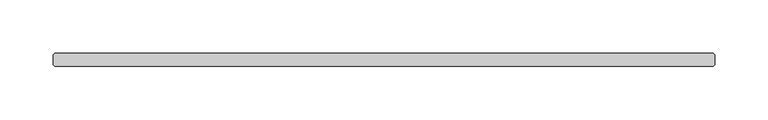
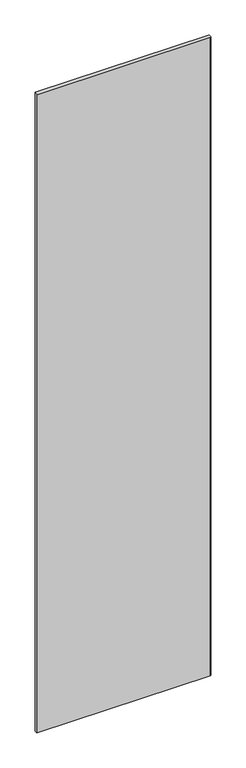
"""IFC4 building model written with IfcOpenShell, lengths in millimetres: plate geometry."""

from ifc_helpers import new_model, si_unit, origin, origin_with_axes, place, context, project, spatial, polyline, outline, extrude, source, transform, mapped, element, save


def plate_2c59f6b2(model_context):
    return source(origin(), model_context, "Body", "SweptSolid", [
        extrude(outline(polyline([(310.584375, -36.5125), (-310.584375, -36.5125), (-312.171875, -34.925), (-312.171875, -25.4), (-310.584375, -23.8125), (310.584375, -23.8125), (312.171875, -25.4), (312.171875, -34.925), (310.584375, -36.5125)])), origin_with_axes(), (0.0, 0.0, 1.0), 2417.075),
    ])


if __name__ == "__main__":
    model = new_model("IFC4")
    model_context = context("Model", 3, world=origin())
    ifc_project = project(units=[si_unit("LENGTHUNIT", "METRE", prefix="MILLI")], contexts=[model_context])
    site = spatial("IfcSite", under=ifc_project)
    building = spatial("IfcBuilding", under=site)
    placement = place(None, origin())
    plate_shape = plate_2c59f6b2(model_context)
    element("IfcPlate", 1, at=placement, inside=building, context=model_context, shape_type="MappedRepresentation", body=[
        mapped(plate_shape, transform((0.0, 0.0, 0.0), x_axis=(1.0, 0.0, 0.0), y_axis=(0.0, 1.0, 0.0), z_axis=(0.0, 0.0, 1.0))),
    ])
    save(model, "model.ifc")
